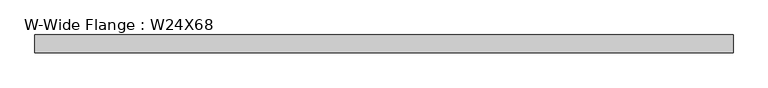
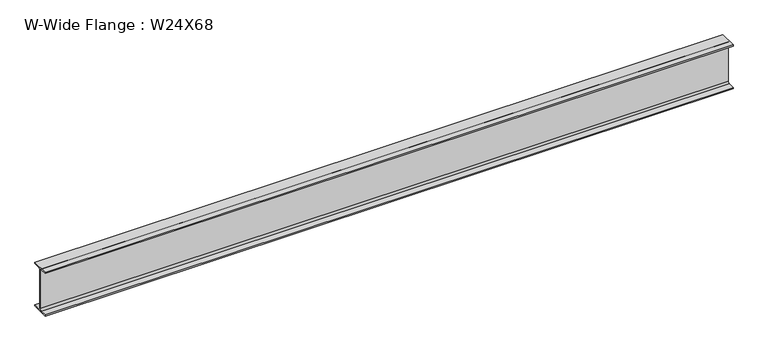
"""IFC4 building model written with IfcOpenShell, lengths in millimetres: beam geometry, W-Wide Flange : W24X68."""

from ifc_helpers import new_model, si_unit, point, frame, frame_2d, origin, place, context, project, spatial, polyline, circle_curve, trimmed, segment, composite_curve, outline, extrude, source, transform, mapped, element, save


def w_wide_flange_w24x68_71ca7219(model_context):
    return source(origin(), model_context, "Body", "SweptSolid", [
        extrude(outline(composite_curve([segment(polyline([(113.903125, -286.0972656), (113.903125, -300.9800781), (-113.903125, -300.9800781), (-113.903125, -286.0972656), (-28.4757813, -286.0972656)]), True, "CONTINUOUS"), segment(trimmed(circle_curve(frame_2d((-28.4757813, -262.8800781)), 23.2171875), [point((-28.4757813, -286.0972656))], [point((-5.2585938, -262.8800781))], True, "CARTESIAN"), True, "CONTINUOUS"), segment(polyline([(-5.2585938, -262.8800781), (-5.2585938, 262.8800781)]), True, "CONTINUOUS"), segment(trimmed(circle_curve(frame_2d((-28.4757813, 262.8800781)), 23.2171875), [point((-5.2585938, 262.8800781))], [point((-28.4757813, 286.0972656))], True, "CARTESIAN"), True, "CONTINUOUS"), segment(polyline([(-28.4757813, 286.0972656), (-113.903125, 286.0972656), (-113.903125, 300.9800781), (113.903125, 300.9800781), (113.903125, 286.0972656), (28.4757812, 286.0972656)]), True, "CONTINUOUS"), segment(trimmed(circle_curve(frame_2d((28.4757812, 262.8800781)), 23.2171875), [point((28.4757812, 286.0972656))], [point((5.2585937, 262.8800781))], True, "CARTESIAN"), True, "CONTINUOUS"), segment(polyline([(5.2585937, 262.8800781), (5.2585937, -262.8800781)]), True, "CONTINUOUS"), segment(trimmed(circle_curve(frame_2d((28.4757812, -262.8800781)), 23.2171875), [point((5.2585937, -262.8800781))], [point((28.4757812, -286.0972656))], True, "CARTESIAN"), True, "CONTINUOUS"), segment(polyline([(28.4757812, -286.0972656), (113.903125, -286.0972656)]), True, "CONTINUOUS")], self_intersect=False)), frame((-4507.5078125, 0.0, 0.0), z_axis=(1.0, 0.0, 0.0), x_axis=(0.0, 1.0, 0.0)), (0.0, 0.0, 1.0), 8962.6777344),
    ])


if __name__ == "__main__":
    model = new_model("IFC4")
    model_context = context("Model", 3, world=origin())
    ifc_project = project(units=[si_unit("LENGTHUNIT", "METRE", prefix="MILLI")], contexts=[model_context])
    site = spatial("IfcSite", under=ifc_project)
    building = spatial("IfcBuilding", under=site)
    placement = place(None, origin())
    w_wide_flange_w24x68_shape = w_wide_flange_w24x68_71ca7219(model_context)
    element("IfcBeam", 1, ObjectType="W-Wide Flange : W24X68", at=placement, inside=building, context=model_context, shape_type="MappedRepresentation", body=[
        mapped(w_wide_flange_w24x68_shape, transform((0.0, 0.0, 0.0), x_axis=(1.0, 0.0, 0.0), y_axis=(0.0, 1.0, 0.0), z_axis=(0.0, 0.0, 1.0))),
    ])
    save(model, "model.ifc")
